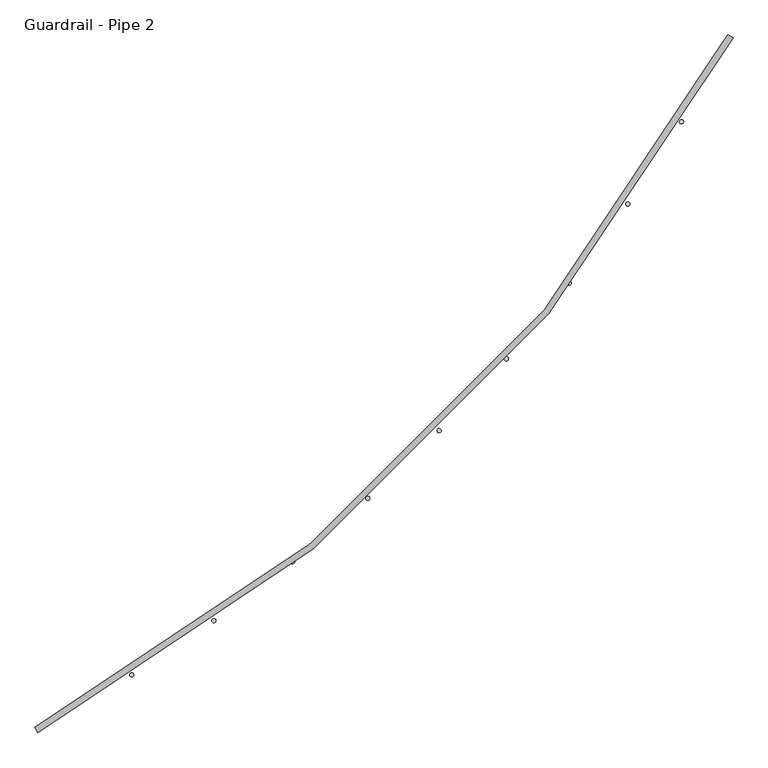
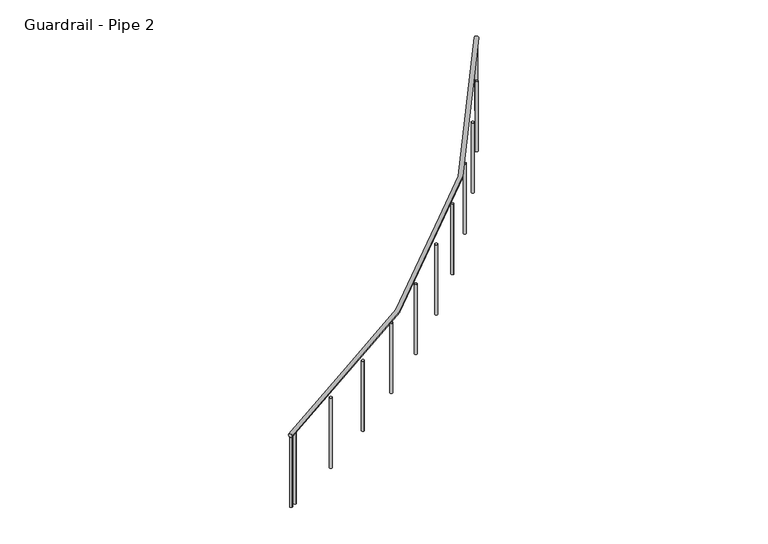
"""IFC4 building model written with IfcOpenShell, lengths in millimetres: railing geometry, Guardrail - Pipe 2."""

from ifc_helpers import new_model, si_unit, point, frame, frame_2d, origin, place, context, project, spatial, circle_curve, ellipse_curve, trimmed, segment, composite_curve, outline, extrude, source, transform, mapped, element, save
from ifc_brep_helpers import plane_surface, revolved_surface, advanced_brep


def guardrail_pipe_2_929b81d0(model_context):
    return source(origin(), model_context, "Body", "SolidModel", [
        advanced_brep(
        [(655037.1195853, -293853.0344929, 5619.75), (659327.8519382, -289562.30214, 5619.75), (659361.4695853, -289580.2315517, 5619.75), (655055.048997, -293886.65214, 5619.75)],
        [
            (0, 1, circle_curve(frame((650133.4254676, -284658.6080223, 5619.75), z_axis=(0.0, 0.0, 1.0), x_axis=(0.8823529411766736, -0.4705882352937368, 0.0)), 10420.35)),
            (1, 2, circle_curve(frame((659344.6607617, -289571.2668459, 5619.75), z_axis=(-0.4705882352937397, -0.8823529411766721, 0.0), x_axis=(-0.8823529411766721, 0.4705882352937397, 0.0)), 19.05)),
            (2, 3, circle_curve(frame((650133.4254676, -284658.6080223, 5619.75), z_axis=(0.0, 0.0, -1.0), x_axis=(0.8823529411766736, -0.4705882352937368, 0.0)), 10458.45)),
            (3, 0, circle_curve(frame((655046.0842911, -293869.8433165, 5619.75), z_axis=(0.882352941176693, 0.47058823529370036, 0.0), x_axis=(-0.47058823529370036, 0.882352941176693, 0.0)), 19.05)),
            (2, 1, circle_curve(frame((659344.6607617, -289571.2668459, 5619.75), z_axis=(-0.4705882352937426, -0.8823529411766705, 0.0), x_axis=(-0.8823529411766705, 0.4705882352937426, 0.0)), 19.05)),
            (0, 3, circle_curve(frame((655046.0842911, -293869.8433165, 5619.75), z_axis=(0.8823529411766938, 0.4705882352936988, 0.0), x_axis=(-0.4705882352936988, 0.8823529411766938, 0.0)), 19.05)),
        ],
        [
            revolved_surface(trimmed(ellipse_curve(frame((659344.6607617, -289571.2668459, 5619.75), z_axis=(0.4705882352937368, 0.8823529411766736, 0.0), x_axis=(-0.8823529411766736, 0.4705882352937368, 0.0)), 19.05, 19.05), [point((659361.4695853, -289580.2315517, 5619.75))], [point((659327.8519382, -289562.30214, 5619.75))], True, "CARTESIAN"), (650133.4254676, -284658.6080223, 5638.8), (0.0, 0.0, -1.0)),
            revolved_surface(trimmed(ellipse_curve(frame((659344.6607617, -289571.2668459, 5619.75), z_axis=(0.4705882352937368, 0.8823529411766736, 0.0), x_axis=(-0.8823529411766736, 0.4705882352937368, 0.0)), 19.05, 19.05), [point((659327.8519382, -289562.30214, 5619.75))], [point((659361.4695853, -289580.2315517, 5619.75))], True, "CARTESIAN"), (650133.4254676, -284658.6080223, 5638.8), (0.0, 0.0, -1.0)),
            plane_surface(frame((659344.6607617, -289571.2668459, 5638.8), z_axis=(0.4705882352937367, 0.8823529411766737, 0.0), x_axis=(0.8823529411766737, -0.4705882352937367, 0.0))),
            plane_surface(frame((655046.0842911, -293869.8433165, 5638.8), z_axis=(-0.8823529411766935, -0.47058823529369986, 0.0), x_axis=(0.47058823529369986, -0.8823529411766935, 0.0))),
        ],
        [
            (0, [[1, 2, 3, 4]]),
            (1, [[-3, 5, -1, 6]]),
            (2, [[-2, -5]]),
            (3, [[-6, -4]]),
        ],
    ),
        extrude(outline(composite_curve([segment(trimmed(circle_curve(frame_2d((655109.8920739, -293835.527575)), 12.7), [point((655115.9461695, -293846.6917107))], [point((655103.8379783, -293824.3634393))], False, "CARTESIAN"), True, "CONTINUOUS"), segment(trimmed(circle_curve(frame_2d((655109.8920739, -293835.527575)), 12.7), [point((655103.8379783, -293824.3634393))], [point((655115.9461695, -293846.6917107))], False, "CARTESIAN"), True, "CONTINUOUS")], self_intersect=False)), frame((0.0, 0.0, 4876.8), z_axis=(0.0, 0.0, 1.0), x_axis=(1.0, 0.0, 0.0)), (0.0, 0.0, 1.0), 723.9),
        extrude(outline(composite_curve([segment(trimmed(circle_curve(frame_2d((655636.9839318, -293529.454464)), 12.7), [point((655643.6792584, -293540.246248))], [point((655630.2886052, -293518.66268))], False, "CARTESIAN"), True, "CONTINUOUS"), segment(trimmed(circle_curve(frame_2d((655636.9839318, -293529.454464)), 12.7), [point((655630.2886052, -293518.66268))], [point((655643.6792584, -293540.246248))], False, "CARTESIAN"), True, "CONTINUOUS")], self_intersect=False)), frame((0.0, 0.0, 4876.8), z_axis=(0.0, 0.0, 1.0), x_axis=(1.0, 0.0, 0.0)), (0.0, 0.0, 1.0), 723.9),
        extrude(outline(composite_curve([segment(trimmed(circle_curve(frame_2d((656145.3146589, -293193.1414432)), 12.7), [point((656152.6283927, -293203.5240873))], [point((656138.000925, -293182.7587992))], False, "CARTESIAN"), True, "CONTINUOUS"), segment(trimmed(circle_curve(frame_2d((656145.3146589, -293193.1414432)), 12.7), [point((656138.000925, -293182.7587992))], [point((656152.6283927, -293203.5240873))], False, "CARTESIAN"), True, "CONTINUOUS")], self_intersect=False)), frame((0.0, 0.0, 4876.8), z_axis=(0.0, 0.0, 1.0), x_axis=(1.0, 0.0, 0.0)), (0.0, 0.0, 1.0), 723.9),
        extrude(outline(composite_curve([segment(trimmed(circle_curve(frame_2d((656633.1514018, -292827.7349733)), 12.7), [point((656641.0586109, -292837.673084))], [point((656625.2441926, -292817.7968627))], False, "CARTESIAN"), True, "CONTINUOUS"), segment(trimmed(circle_curve(frame_2d((656633.1514018, -292827.7349733)), 12.7), [point((656625.2441926, -292817.7968627))], [point((656641.0586109, -292837.673084))], False, "CARTESIAN"), True, "CONTINUOUS")], self_intersect=False)), frame((0.0, 0.0, 4876.8), z_axis=(0.0, 0.0, 1.0), x_axis=(1.0, 0.0, 0.0)), (0.0, 0.0, 1.0), 723.9),
        extrude(outline(composite_curve([segment(trimmed(circle_curve(frame_2d((657098.8311694, -292434.4806917)), 12.7), [point((657107.3048989, -292443.9403908))], [point((657090.3574398, -292425.0209926))], False, "CARTESIAN"), True, "CONTINUOUS"), segment(trimmed(circle_curve(frame_2d((657098.8311694, -292434.4806917)), 12.7), [point((657090.3574398, -292425.0209926))], [point((657107.3048989, -292443.9403908))], False, "CARTESIAN"), True, "CONTINUOUS")], self_intersect=False)), frame((0.0, 0.0, 4876.8), z_axis=(0.0, 0.0, 1.0), x_axis=(1.0, 0.0, 0.0)), (0.0, 0.0, 1.0), 723.9),
        extrude(outline(composite_curve([segment(trimmed(circle_curve(frame_2d((657540.7665017, -292014.7191665)), 12.7), [point((657549.7778655, -292023.6682068))], [point((657531.7551379, -292005.7701261))], False, "CARTESIAN"), True, "CONTINUOUS"), segment(trimmed(circle_curve(frame_2d((657540.7665017, -292014.7191665)), 12.7), [point((657531.7551379, -292005.7701261))], [point((657549.7778655, -292023.6682068))], False, "CARTESIAN"), True, "CONTINUOUS")], self_intersect=False)), frame((0.0, 0.0, 4876.8), z_axis=(0.0, 0.0, 1.0), x_axis=(1.0, 0.0, 0.0)), (0.0, 0.0, 1.0), 723.9),
        extrude(outline(composite_curve([segment(trimmed(circle_curve(frame_2d((657957.4508813, -291569.8813266)), 12.7), [point((657966.9691604, -291578.2892017))], [point((657947.9326022, -291561.4734515))], False, "CARTESIAN"), True, "CONTINUOUS"), segment(trimmed(circle_curve(frame_2d((657957.4508813, -291569.8813266)), 12.7), [point((657947.9326022, -291561.4734515))], [point((657966.9691604, -291578.2892017))], False, "CARTESIAN"), True, "CONTINUOUS")], self_intersect=False)), frame((0.0, 0.0, 4876.8), z_axis=(0.0, 0.0, 1.0), x_axis=(1.0, 0.0, 0.0)), (0.0, 0.0, 1.0), 723.9),
        extrude(outline(composite_curve([segment(trimmed(circle_curve(frame_2d((658347.463869, -291101.4835838)), 12.7), [point((658357.4566164, -291109.321632))], [point((658337.4711215, -291093.6455357))], False, "CARTESIAN"), True, "CONTINUOUS"), segment(trimmed(circle_curve(frame_2d((658347.463869, -291101.4835838)), 12.7), [point((658337.4711215, -291093.6455357))], [point((658357.4566164, -291109.321632))], False, "CARTESIAN"), True, "CONTINUOUS")], self_intersect=False)), frame((0.0, 0.0, 4876.8), z_axis=(0.0, 0.0, 1.0), x_axis=(1.0, 0.0, 0.0)), (0.0, 0.0, 1.0), 723.9),
        extrude(outline(composite_curve([segment(trimmed(circle_curve(frame_2d((658709.4759459, -290611.1226635)), 12.7), [point((658719.9090973, -290618.3641655))], [point((658699.0427945, -290603.8811615))], False, "CARTESIAN"), True, "CONTINUOUS"), segment(trimmed(circle_curve(frame_2d((658709.4759459, -290611.1226635)), 12.7), [point((658699.0427945, -290603.8811615))], [point((658719.9090973, -290618.3641655))], False, "CARTESIAN"), True, "CONTINUOUS")], self_intersect=False)), frame((0.0, 0.0, 4876.8), z_axis=(0.0, 0.0, 1.0), x_axis=(1.0, 0.0, 0.0)), (0.0, 0.0, 1.0), 723.9),
        extrude(outline(composite_curve([segment(trimmed(circle_curve(frame_2d((659042.2530458, -290100.4701616)), 12.7), [point((659053.0910355, -290107.0904318))], [point((659031.415056, -290093.8498913))], False, "CARTESIAN"), True, "CONTINUOUS"), segment(trimmed(circle_curve(frame_2d((659042.2530458, -290100.4701616)), 12.7), [point((659031.415056, -290093.8498913))], [point((659053.0910355, -290107.0904318))], False, "CARTESIAN"), True, "CONTINUOUS")], self_intersect=False)), frame((0.0, 0.0, 4876.8), z_axis=(0.0, 0.0, 1.0), x_axis=(1.0, 0.0, 0.0)), (0.0, 0.0, 1.0), 723.9),
        extrude(outline(composite_curve([segment(trimmed(circle_curve(frame_2d((655057.2865354, -293863.8600311)), 12.7), [point((655063.276634, -293875.0586345))], [point((655051.2964368, -293852.6614277))], False, "CARTESIAN"), True, "CONTINUOUS"), segment(trimmed(circle_curve(frame_2d((655057.2865354, -293863.8600311)), 12.7), [point((655051.2964368, -293852.6614277))], [point((655063.276634, -293875.0586345))], False, "CARTESIAN"), True, "CONTINUOUS")], self_intersect=False)), frame((0.0, 0.0, 4876.8), z_axis=(0.0, 0.0, 1.0), x_axis=(1.0, 0.0, 0.0)), (0.0, 0.0, 1.0), 723.9),
        extrude(outline(composite_curve([segment(trimmed(circle_curve(frame_2d((659338.6774764, -289582.4690901)), 12.7), [point((659349.8760798, -289588.4591888))], [point((659327.478873, -289576.4789915))], False, "CARTESIAN"), True, "CONTINUOUS"), segment(trimmed(circle_curve(frame_2d((659338.6774764, -289582.4690901)), 12.7), [point((659327.478873, -289576.4789915))], [point((659349.8760798, -289588.4591888))], False, "CARTESIAN"), True, "CONTINUOUS")], self_intersect=False)), frame((0.0, 0.0, 4876.8), z_axis=(0.0, 0.0, 1.0), x_axis=(1.0, 0.0, 0.0)), (0.0, 0.0, 1.0), 723.9),
    ])


if __name__ == "__main__":
    model = new_model("IFC4")
    model_context = context("Model", 3, world=origin())
    ifc_project = project(units=[si_unit("LENGTHUNIT", "METRE", prefix="MILLI")], contexts=[model_context])
    site = spatial("IfcSite", under=ifc_project)
    building = spatial("IfcBuilding", under=site)
    placement = place(None, origin())
    guardrail_pipe_2_shape = guardrail_pipe_2_929b81d0(model_context)
    element("IfcRailing", 1, ObjectType="Guardrail - Pipe 2", at=placement, inside=building, context=model_context, shape_type="MappedRepresentation", body=[
        mapped(guardrail_pipe_2_shape, transform((0.0, 0.0, 0.0), x_axis=(1.0, 0.0, 0.0), y_axis=(0.0, 1.0, 0.0), z_axis=(0.0, 0.0, 1.0))),
    ])
    save(model, "model.ifc")
